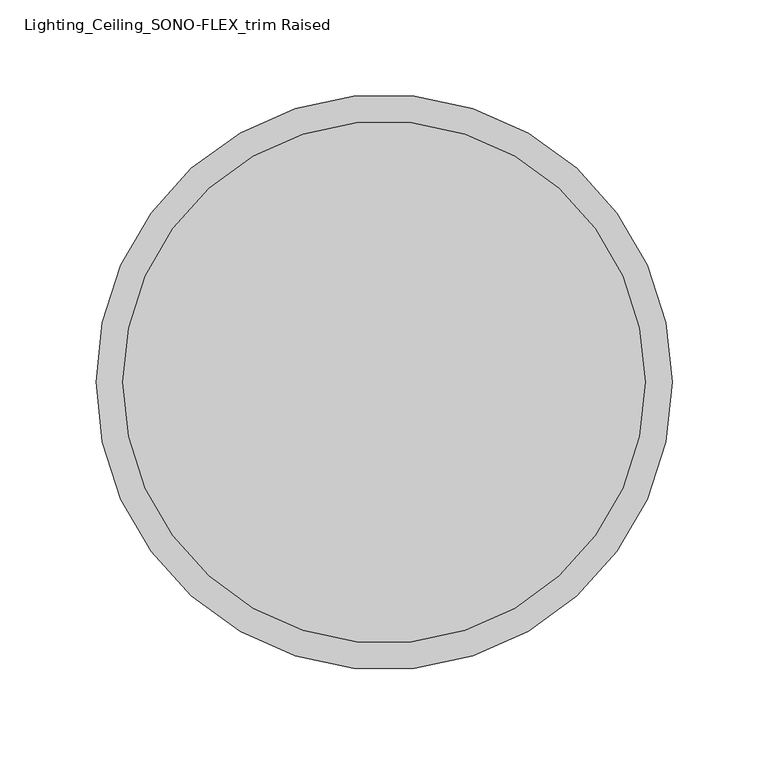
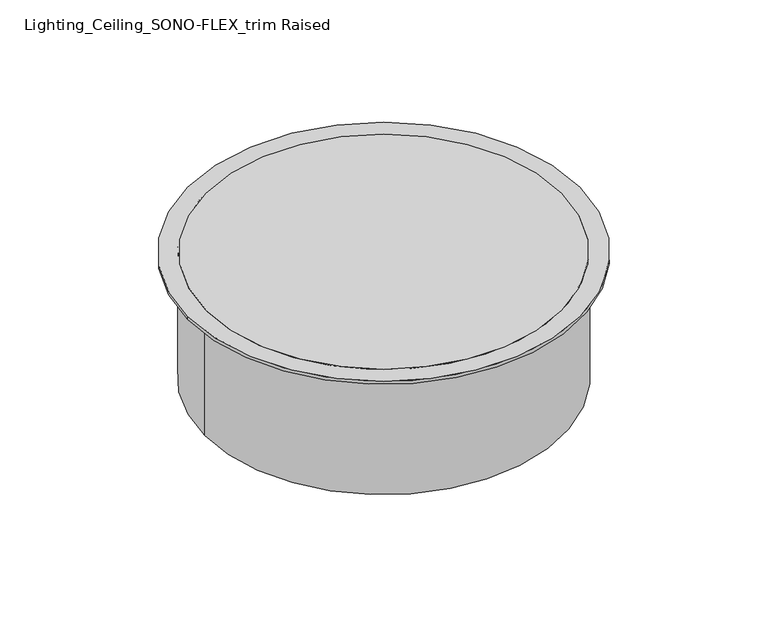
"""IFC4 building model written with IfcOpenShell, lengths in millimetres: light fixture geometry, Lighting_Ceiling_SONO-FLEX_trim Raised."""

import ifcopenshell
import ifcopenshell.guid

model = None  # the IFC model being written
_history = None  # IfcOwnerHistory: only IFC2X3 demands one
_inside = {}  # id of a spatial element -> (the spatial element, [elements in it])
_under = {}  # id of a project, library or spatial element -> (it, [spatial elements below it])
_declared = {}  # id of a project -> (the project, [libraries it declares])
_typed = {}  # id of a type object -> (the type object, [elements of that type])
_made_of = {}  # id of a material, layer set ... -> (it, [elements and type objects made of it])


def new_model(schema):
    """Start an empty IFC model of exactly this schema.

    Asked for "IFC4X3", IfcOpenShell would pick the latest addendum, in which some entities
    have other attributes; the version numbers below select the first issue.
    IFC2X3 requires an IfcOwnerHistory on every rooted entity: one is made here for all.
    """
    global model, _history
    if schema == "IFC4X3":
        model = ifcopenshell.file(schema_version=(4, 3, 0, 0))
    else:
        model = ifcopenshell.file(schema=schema)
    _inside.clear()
    _under.clear()
    _declared.clear()
    _typed.clear()
    _made_of.clear()
    _history = None
    if model.schema == "IFC2X3":
        org = make("IfcOrganization", Name="unknown")
        user = make(
            "IfcPersonAndOrganization",
            ThePerson=make("IfcPerson", FamilyName="unknown"),
            TheOrganization=org,
        )
        app = make(
            "IfcApplication",
            ApplicationDeveloper=org,
            Version="unknown",
            ApplicationFullName="unknown",
            ApplicationIdentifier="unknown",
        )
        _history = make(
            "IfcOwnerHistory",
            OwningUser=user,
            OwningApplication=app,
            ChangeAction="ADDED",
            CreationDate=0,
        )
    return model


def make(cls, **values):
    """One entity of the class cls with the attributes given. An attribute that is None is left unset."""
    return model.create_entity(
        cls, **{name: value for name, value in values.items() if value is not None}
    )


def rooted(cls, **values):
    """An entity with a GlobalId (a new one), such as an element, a storey or a relation."""
    return make(cls, GlobalId=ifcopenshell.guid.new(), OwnerHistory=_history, **values)


def si_unit(unit_type, name, prefix=None):
    """IfcSIUnit, for example si_unit("LENGTHUNIT", "METRE", prefix="MILLI")."""
    return make("IfcSIUnit", UnitType=unit_type, Prefix=prefix, Name=name)


def assignment(units):
    """IfcUnitAssignment: the units of a project."""
    return None if units is None else make("IfcUnitAssignment", Units=units)


def point(xyz):
    """IfcCartesianPoint."""
    return None if xyz is None else make("IfcCartesianPoint", Coordinates=xyz)


def direction(xyz):
    """IfcDirection."""
    return None if xyz is None else make("IfcDirection", DirectionRatios=xyz)


def frame(location, z_axis=None, x_axis=None):
    """IfcAxis2Placement3D, a coordinate frame: its origin and axes. An axis left out is left unset."""
    return make(
        "IfcAxis2Placement3D",
        Location=point(location),
        Axis=direction(z_axis),
        RefDirection=direction(x_axis),
    )


def frame_2d(location, x_axis=None):
    """IfcAxis2Placement2D, a coordinate frame in the plane: its origin and x axis."""
    return make(
        "IfcAxis2Placement2D", Location=point(location), RefDirection=direction(x_axis)
    )


def origin():
    """The frame at (0, 0, 0) with its axes left unset."""
    return frame((0.0, 0.0, 0.0))


def origin_2d():
    """The frame at (0, 0) in the plane with its x axis left unset."""
    return frame_2d((0.0, 0.0))


def place(relative_to, where):
    """IfcLocalPlacement: puts the frame where relative to a parent placement (None: the world)."""
    return make(
        "IfcLocalPlacement", PlacementRelTo=relative_to, RelativePlacement=where
    )


def context(
    kind, dimensions, precision=None, world=None, true_north=None, identifier=None
):
    """IfcGeometricRepresentationContext, for example the 3D "Model" context."""
    return make(
        "IfcGeometricRepresentationContext",
        ContextIdentifier=identifier,
        ContextType=kind,
        CoordinateSpaceDimension=dimensions,
        Precision=precision,
        WorldCoordinateSystem=world,
        TrueNorth=true_north,
    )


def project(units=None, contexts=None):
    """IfcProject with its units and contexts."""
    return rooted(
        "IfcProject",
        Name="project",
        RepresentationContexts=contexts,
        UnitsInContext=assignment(units),
    )


def spatial(cls, under=None, at=None, **own):
    """A site, building, storey or space (cls), placed at a placement, below another one or the project."""
    s = rooted(cls, ObjectPlacement=at, **own)
    if under is not None:
        _under.setdefault(under.id(), (under, []))[1].append(s)
    return s


def polyline(points):
    """IfcPolyline through the points."""
    return make("IfcPolyline", Points=[point(p) for p in points])


def circle_curve(where, radius):
    """IfcCircle in the frame where."""
    return make("IfcCircle", Position=where, Radius=radius)


def trimmed(basis, trim1, trim2, sense, master):
    """IfcTrimmedCurve: the piece of a basis curve between two trims."""
    return make(
        "IfcTrimmedCurve",
        BasisCurve=basis,
        Trim1=trim1,
        Trim2=trim2,
        SenseAgreement=sense,
        MasterRepresentation=master,
    )


def segment(curve, same_sense, transition):
    """IfcCompositeCurveSegment."""
    return make(
        "IfcCompositeCurveSegment",
        Transition=transition,
        SameSense=same_sense,
        ParentCurve=curve,
    )


def composite_curve(segments, self_intersect=None):
    """IfcCompositeCurve: segments joined end to end."""
    return make("IfcCompositeCurve", Segments=segments, SelfIntersect=self_intersect)


def outline(outer, holes=None, kind="AREA"):
    """IfcArbitraryClosedProfileDef: a profile drawn as a closed curve; with holes, ...WithVoids."""
    if holes is None:
        return make("IfcArbitraryClosedProfileDef", ProfileType=kind, OuterCurve=outer)
    return make(
        "IfcArbitraryProfileDefWithVoids",
        ProfileType=kind,
        OuterCurve=outer,
        InnerCurves=holes,
    )


def extrude(swept, where, along, depth):
    """IfcExtrudedAreaSolid: the profile swept, set in the frame where, extruded along a direction by depth."""
    return make(
        "IfcExtrudedAreaSolid",
        SweptArea=swept,
        Position=where,
        ExtrudedDirection=direction(along),
        Depth=depth,
    )


def shape(context_of_items, identifier, shape_type, items):
    """IfcShapeRepresentation: the items that make up one representation, for example the "Body"."""
    return make(
        "IfcShapeRepresentation",
        ContextOfItems=context_of_items,
        RepresentationIdentifier=identifier,
        RepresentationType=shape_type,
        Items=items,
    )


def source(mapping_origin, context_of_items, identifier, shape_type, items):
    """IfcRepresentationMap: a shape defined once, which mapped items show again and again."""
    return make(
        "IfcRepresentationMap",
        MappingOrigin=mapping_origin,
        MappedRepresentation=shape(context_of_items, identifier, shape_type, items),
    )


def transform(
    local_origin,
    x_axis=None,
    y_axis=None,
    z_axis=None,
    scale=None,
    scale2=None,
    scale3=None,
    uniform=True,
):
    """IfcCartesianTransformationOperator3D, or its non-uniform kind. x_axis, y_axis, z_axis: its Axis1, 2, 3."""
    if uniform:
        return make(
            "IfcCartesianTransformationOperator3D",
            Axis1=direction(x_axis),
            Axis2=direction(y_axis),
            LocalOrigin=point(local_origin),
            Scale=scale,
            Axis3=direction(z_axis),
        )
    return make(
        "IfcCartesianTransformationOperator3DnonUniform",
        Axis1=direction(x_axis),
        Axis2=direction(y_axis),
        LocalOrigin=point(local_origin),
        Scale=scale,
        Axis3=direction(z_axis),
        Scale2=scale2,
        Scale3=scale3,
    )


def mapped(mapping_source, mapping_target):
    """IfcMappedItem: shows the shape of a source again, moved by a transform."""
    return make(
        "IfcMappedItem", MappingSource=mapping_source, MappingTarget=mapping_target
    )


def made_of(thing, what):
    """Note that an element or type object is made of a material, layer set ...; save() writes the relation."""
    if what is not None:
        _made_of.setdefault(what.id(), (what, []))[1].append(thing)
    return thing


def element(
    cls,
    number,
    at=None,
    inside=None,
    cuts=None,
    type_object=None,
    material=None,
    context=None,
    identifier="Body",
    shape_type=None,
    held_by="IfcProductDefinitionShape",
    body=None,
    shapes=None,
    **own,
):
    """One element of the class cls, such as IfcWall. Its Tag is "e" and its number.

    at: its placement. inside: the storey or other place that contains it. cuts: it is an
    opening in that element (IfcRelVoidsElement). A single representation is given by context,
    identifier, shape_type and body (its items); several are given by shapes. held_by: the class
    of the entity that holds the representations. save() writes the other relations.
    """
    e = rooted(cls, Tag="e%d" % number, ObjectPlacement=at, **own)
    if body is not None:
        shapes = [shape(context, identifier, shape_type, body)]
    if shapes is not None:
        e.Representation = make(held_by, Representations=shapes)
    if inside is not None:
        _inside.setdefault(inside.id(), (inside, []))[1].append(e)
    if cuts is not None:
        rooted(
            "IfcRelVoidsElement", RelatingBuildingElement=cuts, RelatedOpeningElement=e
        )
    if type_object is not None:
        _typed.setdefault(type_object.id(), (type_object, []))[1].append(e)
    return made_of(e, material)


def aggregate(whole, parts):
    """IfcRelAggregates: a whole, such as a stair, and the parts it consists of."""
    return rooted("IfcRelAggregates", RelatingObject=whole, RelatedObjects=parts)


def save(model, path):
    """Write the relations noted so far, then the file.

    IfcRelAggregates (storeys below a building ...), IfcRelContainedInSpatialStructure (elements
    in a storey), IfcRelDefinesByType, IfcRelAssociatesMaterial and IfcRelDeclares: one each for
    every whole, place, type object, material and project.
    """
    for whole, parts in _under.values():
        aggregate(whole, parts)
    for where, things in _inside.values():
        rooted(
            "IfcRelContainedInSpatialStructure",
            RelatedElements=things,
            RelatingStructure=where,
        )
    for kind, things in _typed.values():
        rooted("IfcRelDefinesByType", RelatedObjects=things, RelatingType=kind)
    for what, things in _made_of.values():
        rooted("IfcRelAssociatesMaterial", RelatedObjects=things, RelatingMaterial=what)
    for by, libraries in _declared.values():
        rooted("IfcRelDeclares", RelatingContext=by, RelatedDefinitions=libraries)
    model.write(path)


def plane_surface(at):
    """IfcPlane: the flat surface through the origin of the frame at, square to its z axis."""
    return make("IfcPlane", Position=at)


def cylinder_surface(at, radius):
    """IfcCylindricalSurface: all points at the distance radius from the z axis of the frame at."""
    return make("IfcCylindricalSurface", Position=at, Radius=radius)


def revolved_surface(curve, axis_point, axis_direction):
    """IfcSurfaceOfRevolution: the curve turned about the line through axis_point along axis_direction."""
    return make(
        "IfcSurfaceOfRevolution",
        SweptCurve=make("IfcArbitraryOpenProfileDef", ProfileType="CURVE", Curve=curve),
        AxisPosition=make("IfcAxis1Placement", Location=point(axis_point), Axis=direction(axis_direction)),
    )


def advanced_brep(points, edges, surfaces, faces):
    """IfcAdvancedBrep: a solid bounded by faces that lie on surfaces and meet in shared edges.

    An edge is (start, end): straight between two places in points (the first is 0);
    or (start, end, curve); or (start, end, curve, False) where it runs against its curve.
    A face is (place in surfaces, loops), or (place, loops, False) where it looks against
    its surface's normal. A loop lists edges by number (the first is 1), with a minus sign
    where the edge is run from its end to its start. The first loop is the outer one.
    """
    corners = [point(p) for p in points]
    vertices = [make("IfcVertexPoint", VertexGeometry=c) for c in corners]
    made = []
    for start, end, *more in edges:
        made.append(
            make(
                "IfcEdgeCurve",
                EdgeStart=vertices[start],
                EdgeEnd=vertices[end],
                EdgeGeometry=more[0] if more else make("IfcPolyline", Points=[corners[start], corners[end]]),
                SameSense=more[1] if len(more) > 1 else True,
            )
        )
    hull = []
    for where, loops, *sense in faces:
        bounds = []
        for j, loop in enumerate(loops):
            ring = [make("IfcOrientedEdge", EdgeElement=made[abs(k) - 1], Orientation=k > 0) for k in loop]
            bounds.append(
                make(
                    "IfcFaceOuterBound" if j == 0 else "IfcFaceBound",
                    Bound=make("IfcEdgeLoop", EdgeList=ring),
                    Orientation=True,
                )
            )
        hull.append(make("IfcAdvancedFace", Bounds=bounds, FaceSurface=surfaces[where], SameSense=sense[0] if sense else True))
    return make("IfcAdvancedBrep", Outer=make("IfcClosedShell", CfsFaces=hull))


def lighting_ceiling_sono_flex_trim_raised_55d79912(model_context):
    return source(origin(), model_context, "Body", "SolidModel", [
        extrude(outline(composite_curve([segment(trimmed(circle_curve(origin_2d(), 136.0), [point((-136.0, 0.0))], [point((136.0, 0.0))], False, "CARTESIAN"), True, "CONTINUOUS"), segment(trimmed(circle_curve(origin_2d(), 136.0), [point((136.0, 0.0))], [point((-136.0, 0.0))], False, "CARTESIAN"), True, "CONTINUOUS")], self_intersect=False)), frame((0.0, 0.0, -1.5), z_axis=(0.0, 0.0, 1.0), x_axis=(1.0, 0.0, 0.0)), (0.0, 0.0, 1.0), 2.5),
        advanced_brep(
        [(-137.0, 0.0, -1.5), (137.0, 0.0, -1.5), (136.0, 0.0, -1.5), (-136.0, 0.0, -1.5), (-137.0, 0.0, -100.0), (137.0, 0.0, -100.0), (-136.0, 0.0, -97.0), (136.0, 0.0, -97.0)],
        [
            (0, 1, circle_curve(frame((0.0, 0.0, -1.5), z_axis=(0.0, 0.0, 1.0), x_axis=(1.0, 0.0, 0.0)), 137.0)),
            (1, 0, circle_curve(frame((0.0, 0.0, -1.5), z_axis=(0.0, 0.0, 1.0), x_axis=(1.0, 0.0, 0.0)), 137.0)),
            (2, 3, circle_curve(frame((0.0, 0.0, -1.5), z_axis=(0.0, 0.0, -1.0), x_axis=(1.0, 0.0, 0.0)), 136.0)),
            (3, 2, circle_curve(frame((0.0, 0.0, -1.5), z_axis=(0.0, 0.0, -1.0), x_axis=(1.0, 0.0, 0.0)), 136.0)),
            (4, 5, circle_curve(frame((0.0, 0.0, -100.0), z_axis=(0.0, 0.0, -1.0), x_axis=(1.0, 0.0, 0.0)), 137.0)),
            (5, 4, circle_curve(frame((0.0, 0.0, -100.0), z_axis=(0.0, 0.0, -1.0), x_axis=(1.0, 0.0, 0.0)), 137.0)),
            (0, 4),
            (5, 1),
            (6, 7, circle_curve(frame((0.0, 0.0, -97.0), z_axis=(0.0, 0.0, 1.0), x_axis=(1.0, 0.0, 0.0)), 136.0)),
            (7, 6, circle_curve(frame((0.0, 0.0, -97.0), z_axis=(0.0, 0.0, 1.0), x_axis=(1.0, 0.0, 0.0)), 136.0)),
            (6, 3),
            (2, 7),
        ],
        [
            plane_surface(frame((137.0, 0.0, -1.5), z_axis=(0.0, 0.0, 1.0), x_axis=(0.0, 1.0, 0.0))),
            plane_surface(frame((137.0, 0.0, -100.0), z_axis=(0.0, 0.0, -1.0), x_axis=(0.0, -1.0, 0.0))),
            cylinder_surface(frame((0.0, 0.0, -100.0), z_axis=(0.0, 0.0, 1.0), x_axis=(1.0, 0.0, 0.0)), 137.0),
            plane_surface(frame((136.0, 0.0, -97.0), z_axis=(0.0, 0.0, 1.0), x_axis=(0.0, -1.0, 0.0))),
            revolved_surface(polyline([(136.0, 0.0, -1.5), (136.0, 0.0, -97.0)]), (0.0, 0.0, -97.0), (0.0, 0.0, 1.0)),
        ],
        [
            (0, [[1, 2], [3, 4]]),
            (1, [[5, 6]]),
            (2, [[-1, 7, -6, 8]]),
            (2, [[-2, -8, -5, -7]]),
            (3, [[9, 10]]),
            (4, [[-9, 11, -3, 12]]),
            (4, [[-10, -12, -4, -11]]),
        ],
    ),
        extrude(outline(composite_curve([segment(trimmed(circle_curve(origin_2d(), 150.0), [point((-150.0, 0.0))], [point((150.0, 0.0))], False, "CARTESIAN"), True, "CONTINUOUS"), segment(trimmed(circle_curve(origin_2d(), 150.0), [point((150.0, 0.0))], [point((-150.0, 0.0))], False, "CARTESIAN"), True, "CONTINUOUS")], self_intersect=False), holes=[composite_curve([segment(trimmed(circle_curve(origin_2d(), 136.0), [point((-136.0, 0.0))], [point((136.0, 0.0))], True, "CARTESIAN"), True, "CONTINUOUS"), segment(trimmed(circle_curve(origin_2d(), 136.0), [point((136.0, 0.0))], [point((-136.0, 0.0))], True, "CARTESIAN"), True, "CONTINUOUS")], self_intersect=False)]), frame((0.0, 0.0, -1.5), z_axis=(0.0, 0.0, 1.0), x_axis=(1.0, 0.0, 0.0)), (0.0, 0.0, 1.0), 2.5),
    ])


if __name__ == "__main__":
    model = new_model("IFC4")
    model_context = context("Model", 3, world=origin())
    ifc_project = project(units=[si_unit("LENGTHUNIT", "METRE", prefix="MILLI")], contexts=[model_context])
    site = spatial("IfcSite", under=ifc_project)
    building = spatial("IfcBuilding", under=site)
    placement = place(None, origin())
    lighting_ceiling_sono_flex_trim_raised_shape = lighting_ceiling_sono_flex_trim_raised_55d79912(model_context)
    element("IfcLightFixture", 1, ObjectType="Lighting_Ceiling_SONO-FLEX_trim Raised", at=placement, inside=building, context=model_context, shape_type="MappedRepresentation", body=[
        mapped(lighting_ceiling_sono_flex_trim_raised_shape, transform((0.0, 0.0, 0.0), x_axis=(1.0, 0.0, 0.0), y_axis=(0.0, 1.0, 0.0), z_axis=(0.0, 0.0, 1.0))),
    ])
    save(model, "model.ifc")
